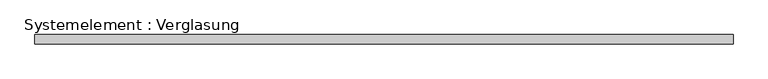
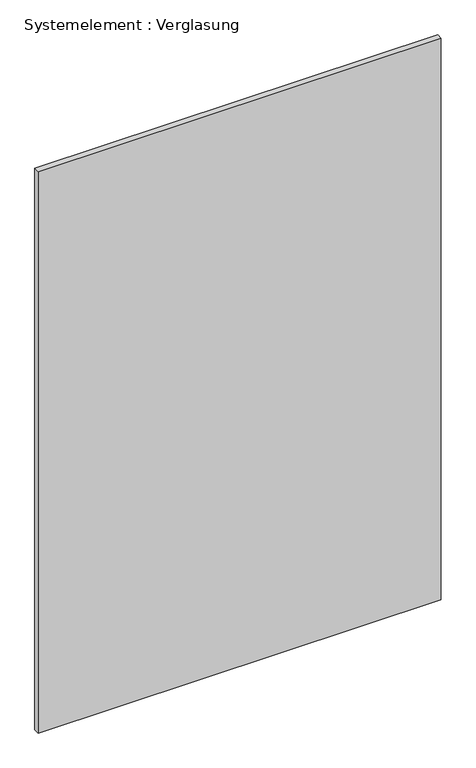
"""IFC4 building model written with IfcOpenShell, lengths in millimetres: plate geometry, Systemelement : Verglasung."""

from ifc_helpers import new_model, si_unit, origin, origin_with_axes, place, context, project, spatial, polyline, outline, extrude, source, transform, mapped, element, save


def systemelement_verglasung_3c35be8c(model_context):
    return source(origin(), model_context, "Body", "SweptSolid", [
        extrude(outline(polyline([(1117.4678258, -15.0), (-1117.4678258, -15.0), (-1117.4678258, 15.0), (1117.4678258, 15.0), (1117.4678258, -15.0)])), origin_with_axes(), (0.0, 0.0, 1.0), 3290.0),
    ])


if __name__ == "__main__":
    model = new_model("IFC4")
    model_context = context("Model", 3, world=origin())
    ifc_project = project(units=[si_unit("LENGTHUNIT", "METRE", prefix="MILLI")], contexts=[model_context])
    site = spatial("IfcSite", under=ifc_project)
    building = spatial("IfcBuilding", under=site)
    placement = place(None, origin())
    systemelement_verglasung_shape = systemelement_verglasung_3c35be8c(model_context)
    element("IfcPlate", 1, ObjectType="Systemelement : Verglasung", at=placement, inside=building, context=model_context, shape_type="MappedRepresentation", body=[
        mapped(systemelement_verglasung_shape, transform((0.0, 0.0, 0.0), x_axis=(1.0, 0.0, 0.0), y_axis=(0.0, 1.0, 0.0), z_axis=(0.0, 0.0, 1.0))),
    ])
    save(model, "model.ifc")
